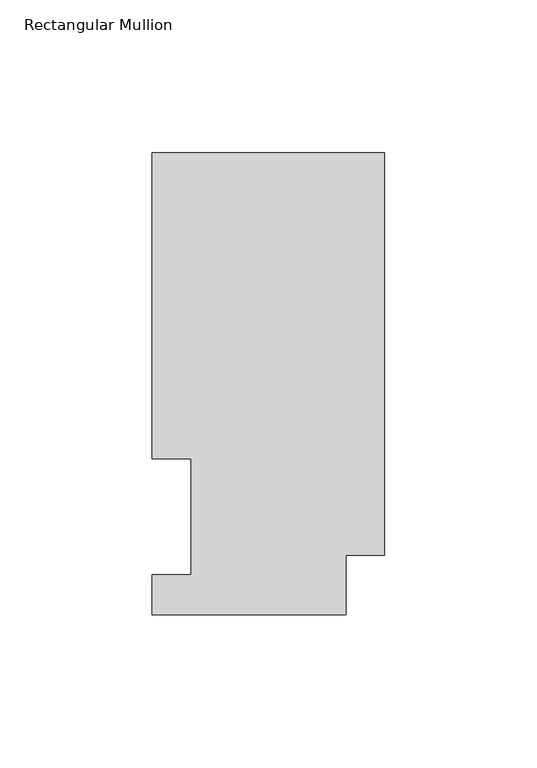
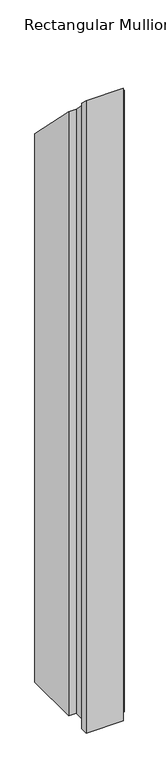
"""IFC4 building model written with IfcOpenShell, lengths in millimetres: member geometry, Rectangular Mullion."""

from ifc_helpers import new_model, si_unit, origin, place, context, project, spatial, faceted_brep, source, transform, mapped, element, save


def rectangular_mullion_823125a5(model_context):
    return source(origin(), model_context, "Body", "Brep", [
        faceted_brep([(0.0, 151.7027918, -1143.0084137), (0.0, 19.5460937, -1143.0084137), (-12.7, 19.5460937, -1143.0084137), (-12.7, 0.0139918, -1143.0084137), (-76.2, 0.0139918, -1143.0084137), (-76.2, 13.1965918, -1143.0084137), (-63.5, 13.1965918, -1143.0084137), (-63.5, 51.2960938, -1143.0084137), (-76.2, 51.2960938, -1143.0084137), (-76.2, 151.7027918, -1143.0084137), (-76.2, 151.7027918, -151.7027918), (0.0, 151.7027918, -151.7027918), (-76.2, 51.2960938, -51.2960938), (-63.5, 51.2960938, -51.2960938), (-63.5, 13.1965918, -13.1965918), (-76.2, 13.1965918, -13.1965918), (-76.2, 0.0139918, -0.0139918), (-12.7, 0.0139918, -0.0139918), (-12.7, 19.5460937, -19.5460938), (0.0, 19.5460937, -19.5460938)], [[[0, 1, 2, 3, 4, 5, 6, 7, 8, 9]], [[10, 11, 0, 9]], [[12, 10, 9, 8]], [[13, 12, 8, 7]], [[14, 13, 7, 6]], [[15, 14, 6, 5]], [[16, 15, 5, 4]], [[17, 16, 4, 3]], [[18, 17, 3, 2]], [[19, 18, 2, 1]], [[11, 19, 1, 0]], [[11, 10, 12, 13, 14, 15, 16, 17, 18, 19]]]),
    ])


if __name__ == "__main__":
    model = new_model("IFC4")
    model_context = context("Model", 3, world=origin())
    ifc_project = project(units=[si_unit("LENGTHUNIT", "METRE", prefix="MILLI")], contexts=[model_context])
    site = spatial("IfcSite", under=ifc_project)
    building = spatial("IfcBuilding", under=site)
    placement = place(None, origin())
    rectangular_mullion_shape = rectangular_mullion_823125a5(model_context)
    element("IfcMember", 1, ObjectType="Rectangular Mullion", at=placement, inside=building, context=model_context, shape_type="MappedRepresentation", body=[
        mapped(rectangular_mullion_shape, transform((0.0, 0.0, 0.0), x_axis=(1.0, 0.0, 0.0), y_axis=(0.0, 1.0, 0.0), z_axis=(0.0, 0.0, 1.0))),
    ])
    save(model, "model.ifc")
